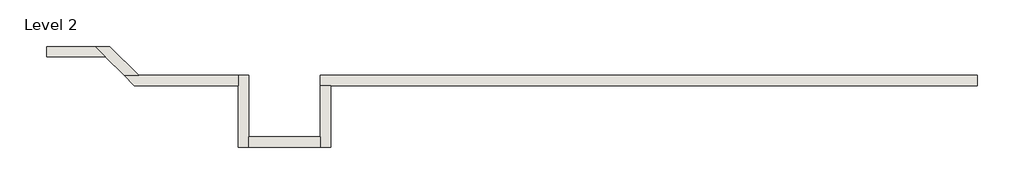
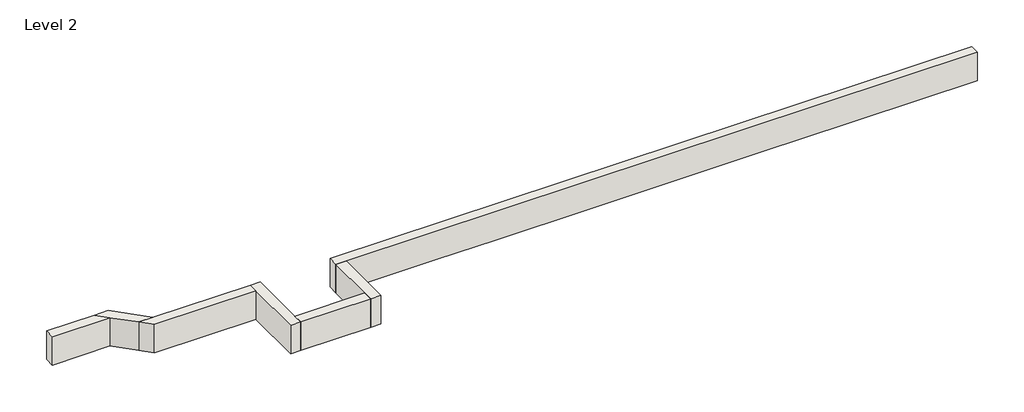
# One storey: 7 walls.
"""IFC4 building model written with IfcOpenShell, lengths in millimetres."""

from ifc_helpers import new_model, si_unit, frame, origin, place, context, project, spatial, polyline, outline, extrude, faceted_brep, element, save

model = new_model("IFC4")

# Units and contexts
model_context = context("Model", 3, world=origin())
ifc_project = project(units=[si_unit("LENGTHUNIT", "METRE", prefix="MILLI")], contexts=[model_context])

# Site, building, storey
site = spatial("IfcSite", under=ifc_project)
building = spatial("IfcBuilding", under=site)
storey = spatial("IfcBuildingStorey", under=building, Name="Level 2", Elevation=3048.0)

# Walls
placement = place(None, origin())
element("IfcWall", 1, ObjectType="Generic - 8\" Brick", at=placement, inside=storey, context=model_context, shape_type="Brep", body=[
    faceted_brep([(14630.357857, 1422.3976187, 3048.0), (10972.757857, 1422.3976187, 3048.0), (10363.157857, 1422.3976187, 3048.0), (7315.157857, 1422.3976187, 3048.0), (6705.557857, 1422.3976187, 3048.0), (4876.757857, 1422.3976187, 3048.0), (3657.557857, 1422.3976187, 3048.0), (1625.5602383, 1422.3976187, 3048.0), (1625.5602383, 1422.3976187, 3657.6), (14630.357857, 1422.3976187, 3657.6), (14630.357857, 1219.1976187, 3048.0), (14630.357857, 1219.1976187, 3657.6), (1828.7602383, 1219.1976187, 3657.6), (1625.5602383, 1219.1976187, 3657.6), (1625.5602383, 1219.1976187, 3048.0), (1828.7602383, 1219.1976187, 3048.0), (3657.557857, 1219.1976187, 3048.0), (4876.757857, 1219.1976187, 3048.0), (6705.557857, 1219.1976187, 3048.0), (7315.157857, 1219.1976187, 3048.0), (10363.157857, 1219.1976187, 3048.0), (10972.757857, 1219.1976187, 3048.0)], [[[0, 1, 2, 3, 4, 5, 6, 7, 8, 9]], [[10, 11, 12, 13, 14, 15, 16, 17, 18, 19, 20, 21]], [[7, 6, 5, 4, 3, 2, 1, 0, 10, 21, 20, 19, 18, 17, 16, 15, 14]], [[9, 8, 13, 12, 11]], [[0, 9, 11, 10]], [[8, 7, 14, 13]]]),
])
element("IfcWall", 2, ObjectType="Generic - 8\" Brick", at=placement, inside=storey, context=model_context, shape_type="Brep", body=[
    faceted_brep([(1625.5602383, 1219.1976187, 3048.0), (1625.5602383, 203.2, 3048.0), (1625.5602383, 0.0, 3048.0), (1625.5602383, 0.0, 3657.6), (1625.5602383, 203.2, 3657.6), (1625.5602383, 1219.1976187, 3657.6), (1828.7602383, 1219.1976187, 3048.0), (1828.7602383, 1219.1976187, 3657.6), (1828.7602383, 0.0, 3657.6), (1828.7602383, 0.0, 3048.0)], [[[0, 1, 2, 3, 4, 5]], [[6, 7, 8, 9]], [[2, 1, 0, 6, 9]], [[5, 4, 3, 8, 7]], [[0, 5, 7, 6]], [[3, 2, 9, 8]]]),
])
element("IfcWall", 3, ObjectType="Generic - 8\" Brick", at=placement, inside=storey, context=model_context, shape_type="SweptSolid", body=[
    extrude(outline(polyline([(203.157857, 203.2), (1625.5602383, 203.2), (1625.5602383, 0.0), (203.157857, 0.0), (203.157857, 203.2)])), frame((0.0, 0.0, 3048.0), z_axis=(0.0, 0.0, 1.0), x_axis=(1.0, 0.0, 0.0)), (0.0, 0.0, 1.0), 609.6),
])
element("IfcWall", 4, ObjectType="Generic - 8\" Brick", at=placement, inside=storey, context=model_context, shape_type="Brep", body=[
    faceted_brep([(203.157857, 0.0, 3048.0), (203.157857, 203.2, 3048.0), (203.157857, 1422.3976187, 3048.0), (203.157857, 1422.3976187, 3657.6), (203.157857, 203.2, 3657.6), (203.157857, 0.0, 3657.6), (-0.042143, 0.0, 3048.0), (-0.042143, 0.0, 3657.6), (-0.042143, 1219.1976187, 3657.6), (-0.042143, 1422.3976187, 3657.6), (-0.042143, 1422.3976187, 3048.0), (-0.042143, 1219.1976187, 3048.0)], [[[0, 1, 2, 3, 4, 5]], [[6, 7, 8, 9, 10, 11]], [[2, 1, 0, 6, 11, 10]], [[5, 4, 3, 9, 8, 7]], [[0, 5, 7, 6]], [[3, 2, 10, 9]]]),
])
element("IfcWall", 5, ObjectType="Generic - 8\" Brick", at=placement, inside=storey, context=model_context, shape_type="Brep", body=[
    faceted_brep([(-0.042143, 1422.3976187, 3048.0), (-1973.2398159, 1422.3976187, 3048.0), (-2260.6080117, 1422.3976187, 3048.0), (-2260.6080117, 1422.3976187, 3657.6), (-1973.2398159, 1422.3976187, 3657.6), (-0.042143, 1422.3976187, 3657.6), (-0.042143, 1219.1976187, 3048.0), (-0.042143, 1219.1976187, 3657.6), (-2057.4080117, 1219.1976187, 3657.6), (-2057.4080117, 1219.1976187, 3048.0)], [[[0, 1, 2, 3, 4, 5]], [[6, 7, 8, 9]], [[2, 1, 0, 6, 9]], [[5, 4, 3, 8, 7]], [[0, 5, 7, 6]], [[3, 2, 9, 8]]]),
])
element("IfcWall", 6, ObjectType="Generic - 8\" Brick", at=placement, inside=storey, context=model_context, shape_type="Brep", body=[
    faceted_brep([(-1973.2398159, 1422.3976187, 3048.0), (-2544.2673392, 1993.4251421, 3048.0), (-2544.2673392, 1993.4251421, 3657.6), (-1973.2398159, 1422.3976187, 3657.6), (-2260.6080117, 1422.3976187, 3048.0), (-2260.6080117, 1422.3976187, 3657.6), (-2628.435535, 1790.2251421, 3657.6), (-2831.635535, 1993.4251421, 3657.6), (-2831.635535, 1993.4251421, 3048.0), (-2628.435535, 1790.2251421, 3048.0)], [[[0, 1, 2, 3]], [[4, 5, 6, 7, 8, 9]], [[1, 0, 4, 9, 8]], [[3, 2, 7, 6, 5]], [[2, 1, 8, 7]], [[0, 3, 5, 4]]]),
])
element("IfcWall", 7, ObjectType="Generic - 8\" Brick", at=placement, inside=storey, context=model_context, shape_type="SweptSolid", body=[
    extrude(outline(polyline([(-3795.2817824, 1993.4251421), (-2831.635535, 1993.4251421), (-2628.435535, 1790.2251421), (-3795.2817824, 1790.2251421), (-3795.2817824, 1993.4251421)])), frame((0.0, 0.0, 3048.0), z_axis=(0.0, 0.0, 1.0), x_axis=(1.0, 0.0, 0.0)), (0.0, 0.0, 1.0), 609.6),
])

save(model, "model.ifc")
